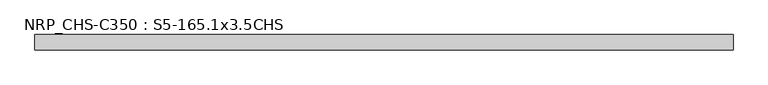
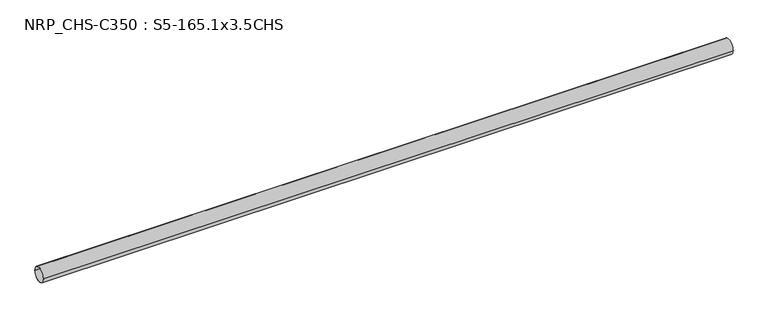
"""IFC4 building model written with IfcOpenShell, lengths in millimetres: beam geometry, NRP_CHS-C350 : S5-165.1x3.5CHS."""

import ifcopenshell
import ifcopenshell.guid

model = None  # the IFC model being written
_history = None  # IfcOwnerHistory: only IFC2X3 demands one
_inside = {}  # id of a spatial element -> (the spatial element, [elements in it])
_under = {}  # id of a project, library or spatial element -> (it, [spatial elements below it])
_declared = {}  # id of a project -> (the project, [libraries it declares])
_typed = {}  # id of a type object -> (the type object, [elements of that type])
_made_of = {}  # id of a material, layer set ... -> (it, [elements and type objects made of it])


def new_model(schema):
    """Start an empty IFC model of exactly this schema.

    Asked for "IFC4X3", IfcOpenShell would pick the latest addendum, in which some entities
    have other attributes; the version numbers below select the first issue.
    IFC2X3 requires an IfcOwnerHistory on every rooted entity: one is made here for all.
    """
    global model, _history
    if schema == "IFC4X3":
        model = ifcopenshell.file(schema_version=(4, 3, 0, 0))
    else:
        model = ifcopenshell.file(schema=schema)
    _inside.clear()
    _under.clear()
    _declared.clear()
    _typed.clear()
    _made_of.clear()
    _history = None
    if model.schema == "IFC2X3":
        org = make("IfcOrganization", Name="unknown")
        user = make(
            "IfcPersonAndOrganization",
            ThePerson=make("IfcPerson", FamilyName="unknown"),
            TheOrganization=org,
        )
        app = make(
            "IfcApplication",
            ApplicationDeveloper=org,
            Version="unknown",
            ApplicationFullName="unknown",
            ApplicationIdentifier="unknown",
        )
        _history = make(
            "IfcOwnerHistory",
            OwningUser=user,
            OwningApplication=app,
            ChangeAction="ADDED",
            CreationDate=0,
        )
    return model


def make(cls, **values):
    """One entity of the class cls with the attributes given. An attribute that is None is left unset."""
    return model.create_entity(
        cls, **{name: value for name, value in values.items() if value is not None}
    )


def rooted(cls, **values):
    """An entity with a GlobalId (a new one), such as an element, a storey or a relation."""
    return make(cls, GlobalId=ifcopenshell.guid.new(), OwnerHistory=_history, **values)


def si_unit(unit_type, name, prefix=None):
    """IfcSIUnit, for example si_unit("LENGTHUNIT", "METRE", prefix="MILLI")."""
    return make("IfcSIUnit", UnitType=unit_type, Prefix=prefix, Name=name)


def assignment(units):
    """IfcUnitAssignment: the units of a project."""
    return None if units is None else make("IfcUnitAssignment", Units=units)


def point(xyz):
    """IfcCartesianPoint."""
    return None if xyz is None else make("IfcCartesianPoint", Coordinates=xyz)


def direction(xyz):
    """IfcDirection."""
    return None if xyz is None else make("IfcDirection", DirectionRatios=xyz)


def frame(location, z_axis=None, x_axis=None):
    """IfcAxis2Placement3D, a coordinate frame: its origin and axes. An axis left out is left unset."""
    return make(
        "IfcAxis2Placement3D",
        Location=point(location),
        Axis=direction(z_axis),
        RefDirection=direction(x_axis),
    )


def frame_2d(location, x_axis=None):
    """IfcAxis2Placement2D, a coordinate frame in the plane: its origin and x axis."""
    return make(
        "IfcAxis2Placement2D", Location=point(location), RefDirection=direction(x_axis)
    )


def origin():
    """The frame at (0, 0, 0) with its axes left unset."""
    return frame((0.0, 0.0, 0.0))


def origin_2d():
    """The frame at (0, 0) in the plane with its x axis left unset."""
    return frame_2d((0.0, 0.0))


def place(relative_to, where):
    """IfcLocalPlacement: puts the frame where relative to a parent placement (None: the world)."""
    return make(
        "IfcLocalPlacement", PlacementRelTo=relative_to, RelativePlacement=where
    )


def context(
    kind, dimensions, precision=None, world=None, true_north=None, identifier=None
):
    """IfcGeometricRepresentationContext, for example the 3D "Model" context."""
    return make(
        "IfcGeometricRepresentationContext",
        ContextIdentifier=identifier,
        ContextType=kind,
        CoordinateSpaceDimension=dimensions,
        Precision=precision,
        WorldCoordinateSystem=world,
        TrueNorth=true_north,
    )


def project(units=None, contexts=None):
    """IfcProject with its units and contexts."""
    return rooted(
        "IfcProject",
        Name="project",
        RepresentationContexts=contexts,
        UnitsInContext=assignment(units),
    )


def spatial(cls, under=None, at=None, **own):
    """A site, building, storey or space (cls), placed at a placement, below another one or the project."""
    s = rooted(cls, ObjectPlacement=at, **own)
    if under is not None:
        _under.setdefault(under.id(), (under, []))[1].append(s)
    return s


def circle_curve(where, radius):
    """IfcCircle in the frame where."""
    return make("IfcCircle", Position=where, Radius=radius)


def trimmed(basis, trim1, trim2, sense, master):
    """IfcTrimmedCurve: the piece of a basis curve between two trims."""
    return make(
        "IfcTrimmedCurve",
        BasisCurve=basis,
        Trim1=trim1,
        Trim2=trim2,
        SenseAgreement=sense,
        MasterRepresentation=master,
    )


def segment(curve, same_sense, transition):
    """IfcCompositeCurveSegment."""
    return make(
        "IfcCompositeCurveSegment",
        Transition=transition,
        SameSense=same_sense,
        ParentCurve=curve,
    )


def composite_curve(segments, self_intersect=None):
    """IfcCompositeCurve: segments joined end to end."""
    return make("IfcCompositeCurve", Segments=segments, SelfIntersect=self_intersect)


def outline(outer, holes=None, kind="AREA"):
    """IfcArbitraryClosedProfileDef: a profile drawn as a closed curve; with holes, ...WithVoids."""
    if holes is None:
        return make("IfcArbitraryClosedProfileDef", ProfileType=kind, OuterCurve=outer)
    return make(
        "IfcArbitraryProfileDefWithVoids",
        ProfileType=kind,
        OuterCurve=outer,
        InnerCurves=holes,
    )


def extrude(swept, where, along, depth):
    """IfcExtrudedAreaSolid: the profile swept, set in the frame where, extruded along a direction by depth."""
    return make(
        "IfcExtrudedAreaSolid",
        SweptArea=swept,
        Position=where,
        ExtrudedDirection=direction(along),
        Depth=depth,
    )


def shape(context_of_items, identifier, shape_type, items):
    """IfcShapeRepresentation: the items that make up one representation, for example the "Body"."""
    return make(
        "IfcShapeRepresentation",
        ContextOfItems=context_of_items,
        RepresentationIdentifier=identifier,
        RepresentationType=shape_type,
        Items=items,
    )


def source(mapping_origin, context_of_items, identifier, shape_type, items):
    """IfcRepresentationMap: a shape defined once, which mapped items show again and again."""
    return make(
        "IfcRepresentationMap",
        MappingOrigin=mapping_origin,
        MappedRepresentation=shape(context_of_items, identifier, shape_type, items),
    )


def transform(
    local_origin,
    x_axis=None,
    y_axis=None,
    z_axis=None,
    scale=None,
    scale2=None,
    scale3=None,
    uniform=True,
):
    """IfcCartesianTransformationOperator3D, or its non-uniform kind. x_axis, y_axis, z_axis: its Axis1, 2, 3."""
    if uniform:
        return make(
            "IfcCartesianTransformationOperator3D",
            Axis1=direction(x_axis),
            Axis2=direction(y_axis),
            LocalOrigin=point(local_origin),
            Scale=scale,
            Axis3=direction(z_axis),
        )
    return make(
        "IfcCartesianTransformationOperator3DnonUniform",
        Axis1=direction(x_axis),
        Axis2=direction(y_axis),
        LocalOrigin=point(local_origin),
        Scale=scale,
        Axis3=direction(z_axis),
        Scale2=scale2,
        Scale3=scale3,
    )


def mapped(mapping_source, mapping_target):
    """IfcMappedItem: shows the shape of a source again, moved by a transform."""
    return make(
        "IfcMappedItem", MappingSource=mapping_source, MappingTarget=mapping_target
    )


def made_of(thing, what):
    """Note that an element or type object is made of a material, layer set ...; save() writes the relation."""
    if what is not None:
        _made_of.setdefault(what.id(), (what, []))[1].append(thing)
    return thing


def element(
    cls,
    number,
    at=None,
    inside=None,
    cuts=None,
    type_object=None,
    material=None,
    context=None,
    identifier="Body",
    shape_type=None,
    held_by="IfcProductDefinitionShape",
    body=None,
    shapes=None,
    **own,
):
    """One element of the class cls, such as IfcWall. Its Tag is "e" and its number.

    at: its placement. inside: the storey or other place that contains it. cuts: it is an
    opening in that element (IfcRelVoidsElement). A single representation is given by context,
    identifier, shape_type and body (its items); several are given by shapes. held_by: the class
    of the entity that holds the representations. save() writes the other relations.
    """
    e = rooted(cls, Tag="e%d" % number, ObjectPlacement=at, **own)
    if body is not None:
        shapes = [shape(context, identifier, shape_type, body)]
    if shapes is not None:
        e.Representation = make(held_by, Representations=shapes)
    if inside is not None:
        _inside.setdefault(inside.id(), (inside, []))[1].append(e)
    if cuts is not None:
        rooted(
            "IfcRelVoidsElement", RelatingBuildingElement=cuts, RelatedOpeningElement=e
        )
    if type_object is not None:
        _typed.setdefault(type_object.id(), (type_object, []))[1].append(e)
    return made_of(e, material)


def aggregate(whole, parts):
    """IfcRelAggregates: a whole, such as a stair, and the parts it consists of."""
    return rooted("IfcRelAggregates", RelatingObject=whole, RelatedObjects=parts)


def save(model, path):
    """Write the relations noted so far, then the file.

    IfcRelAggregates (storeys below a building ...), IfcRelContainedInSpatialStructure (elements
    in a storey), IfcRelDefinesByType, IfcRelAssociatesMaterial and IfcRelDeclares: one each for
    every whole, place, type object, material and project.
    """
    for whole, parts in _under.values():
        aggregate(whole, parts)
    for where, things in _inside.values():
        rooted(
            "IfcRelContainedInSpatialStructure",
            RelatedElements=things,
            RelatingStructure=where,
        )
    for kind, things in _typed.values():
        rooted("IfcRelDefinesByType", RelatedObjects=things, RelatingType=kind)
    for what, things in _made_of.values():
        rooted("IfcRelAssociatesMaterial", RelatedObjects=things, RelatingMaterial=what)
    for by, libraries in _declared.values():
        rooted("IfcRelDeclares", RelatingContext=by, RelatedDefinitions=libraries)
    model.write(path)


def nrp_chs_c350_s5_165_1x3_5chs_4080d56c(model_context):
    return source(origin(), model_context, "Body", "SweptSolid", [
        extrude(outline(composite_curve([segment(trimmed(circle_curve(origin_2d(), 82.55), [point((-82.55, 0.0))], [point((82.55, 0.0))], False, "CARTESIAN"), True, "CONTINUOUS"), segment(trimmed(circle_curve(origin_2d(), 82.55), [point((82.55, 0.0))], [point((-82.55, 0.0))], False, "CARTESIAN"), True, "CONTINUOUS")], self_intersect=False), holes=[composite_curve([segment(trimmed(circle_curve(origin_2d(), 79.05), [point((79.05, 0.0))], [point((-79.05, 0.0))], True, "CARTESIAN"), True, "CONTINUOUS"), segment(trimmed(circle_curve(origin_2d(), 79.05), [point((-79.05, 0.0))], [point((79.05, 0.0))], True, "CARTESIAN"), True, "CONTINUOUS")], self_intersect=False)]), frame((-3786.15, 0.0, 0.0), z_axis=(1.0, 0.0, 0.0), x_axis=(0.0, 1.0, 0.0)), (0.0, 0.0, 1.0), 7584.8),
    ])


if __name__ == "__main__":
    model = new_model("IFC4")
    model_context = context("Model", 3, world=origin())
    ifc_project = project(units=[si_unit("LENGTHUNIT", "METRE", prefix="MILLI")], contexts=[model_context])
    site = spatial("IfcSite", under=ifc_project)
    building = spatial("IfcBuilding", under=site)
    placement = place(None, origin())
    nrp_chs_c350_s5_165_1x3_5chs_shape = nrp_chs_c350_s5_165_1x3_5chs_4080d56c(model_context)
    element("IfcBeam", 1, ObjectType="NRP_CHS-C350 : S5-165.1x3.5CHS", at=placement, inside=building, context=model_context, shape_type="MappedRepresentation", body=[
        mapped(nrp_chs_c350_s5_165_1x3_5chs_shape, transform((0.0, 0.0, 0.0), x_axis=(1.0, 0.0, 0.0), y_axis=(0.0, 1.0, 0.0), z_axis=(0.0, 0.0, 1.0))),
    ])
    save(model, "model.ifc")
